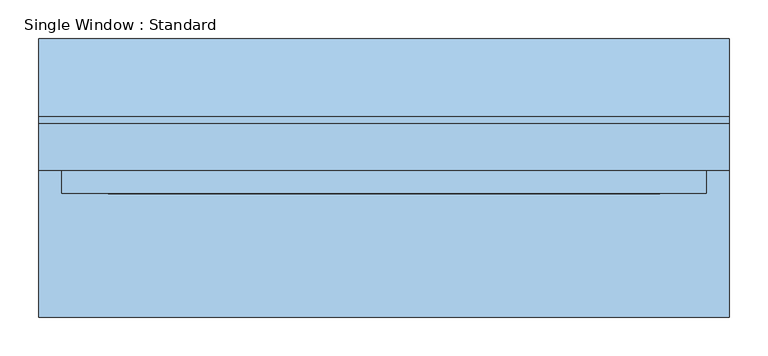
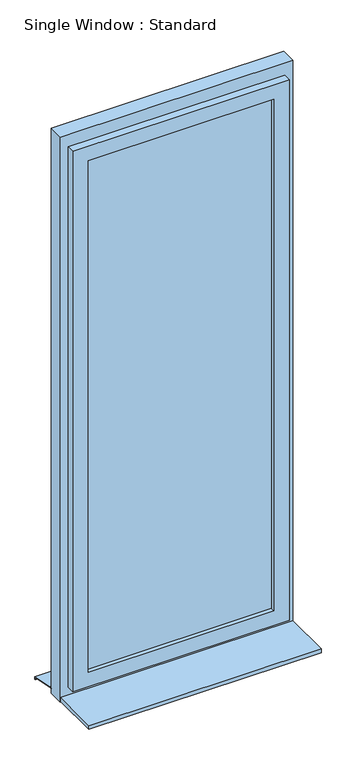
"""IFC4 building model written with IfcOpenShell, lengths in millimetres: window geometry, Single Window : Standard."""

from ifc_helpers import new_model, si_unit, frame, origin, place, context, project, spatial, polyline, outline, extrude, faceted_brep, source, transform, mapped, element, save


def single_window_standard_a6f4116c(model_context):
    return source(origin(), model_context, "Body", "SolidModel", [
        extrude(outline(polyline([(356.689974, -5.0), (-356.689974, -5.0), (-356.689974, 25.0), (356.689974, 25.0), (356.689974, -5.0)])), frame((0.0, 0.0, 1110.0), z_axis=(0.0, 0.0, 1.0), x_axis=(1.0, 0.0, 0.0)), (0.0, 0.0, 1.0), 2080.0),
        faceted_brep([(416.689974, 10.0, 3250.0), (416.689974, -20.0, 3250.0), (416.689974, -20.0, 1050.0), (416.689974, 10.0, 1050.0), (386.689974, 40.0, 3220.0), (386.689974, 10.0, 3220.0), (386.689974, 10.0, 1080.0), (386.689974, 40.0, 1080.0), (356.689974, -20.0, 3190.0), (356.689974, 40.0, 3190.0), (356.689974, 40.0, 1110.0), (356.689974, -20.0, 1110.0), (-416.689974, -20.0, 1050.0), (-416.689974, 10.0, 1050.0), (-386.689974, 10.0, 1080.0), (-386.689974, 40.0, 1080.0), (-356.689974, 40.0, 1110.0), (-356.689974, -20.0, 1110.0), (-416.689974, -20.0, 3250.0), (-416.689974, 10.0, 3250.0), (-386.689974, 10.0, 3220.0), (-386.689974, 40.0, 3220.0), (-356.689974, 40.0, 3190.0), (-356.689974, -20.0, 3190.0)], [[[0, 1, 2, 3]], [[4, 5, 6, 7]], [[8, 9, 10, 11]], [[3, 2, 12, 13]], [[7, 6, 14, 15]], [[11, 10, 16, 17]], [[13, 12, 18, 19]], [[15, 14, 20, 21]], [[17, 16, 22, 23]], [[19, 18, 1, 0]], [[3, 13, 19, 0], [5, 20, 14, 6]], [[21, 20, 5, 4]], [[7, 15, 21, 4], [9, 22, 16, 10]], [[23, 22, 9, 8]], [[1, 18, 12, 2], [11, 17, 23, 8]]]),
        extrude(outline(polyline([(3300.0, 446.689974), (3300.0, -446.689974), (1000.0, -446.689974), (1000.0, 446.689974), (3300.0, 446.689974)]), holes=[polyline([(3220.0, 386.689974), (1080.0, 386.689974), (1080.0, -386.689974), (3220.0, -386.689974), (3220.0, 386.689974)])]), frame((0.0, 10.0, 0.0), z_axis=(0.0, 1.0, 0.0), x_axis=(0.0, 0.0, 1.0)), (0.0, 0.0, 1.0), 60.0),
        extrude(outline(polyline([(80.0221543, 1020.0), (180.0, 1000.0), (180.0, 990.0), (178.0, 990.0), (178.0, 998.3604634), (79.8240723, 1018.0), (70.0, 1018.0), (70.0, 1020.0), (80.0221543, 1020.0)])), frame((-446.689974, 0.0, 0.0), z_axis=(1.0, 0.0, 0.0), x_axis=(0.0, 1.0, 0.0)), (0.0, 0.0, 1.0), 893.379948),
        extrude(outline(polyline([(-446.689974, -180.0), (-446.689974, 10.0), (446.689974, 10.0), (446.689974, -180.0), (-446.689974, -180.0)])), frame((0.0, 0.0, 1005.0), z_axis=(0.0, 0.0, 1.0), x_axis=(1.0, 0.0, 0.0)), (0.0, 0.0, 1.0), 15.0),
    ])


if __name__ == "__main__":
    model = new_model("IFC4")
    model_context = context("Model", 3, world=origin())
    ifc_project = project(units=[si_unit("LENGTHUNIT", "METRE", prefix="MILLI")], contexts=[model_context])
    site = spatial("IfcSite", under=ifc_project)
    building = spatial("IfcBuilding", under=site)
    placement = place(None, origin())
    single_window_standard_shape = single_window_standard_a6f4116c(model_context)
    element("IfcWindow", 1, ObjectType="Single Window : Standard", at=placement, inside=building, context=model_context, shape_type="MappedRepresentation", body=[
        mapped(single_window_standard_shape, transform((0.0, 0.0, 0.0), x_axis=(1.0, 0.0, 0.0), y_axis=(0.0, 1.0, 0.0), z_axis=(0.0, 0.0, 1.0))),
    ])
    save(model, "model.ifc")
